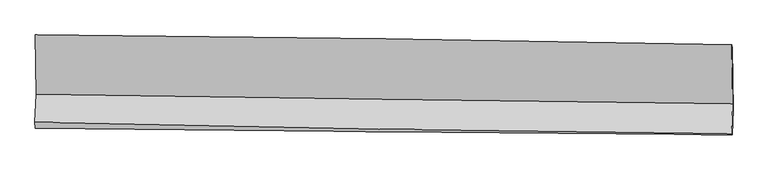
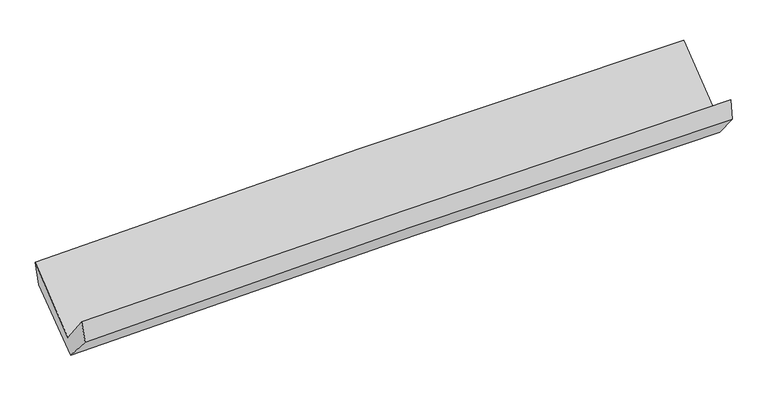
"""IFC4 building model written with IfcOpenShell, lengths in millimetres: proxy geometry."""

from ifc_helpers import new_model, si_unit, frame, origin, place, context, project, spatial, source, transform, mapped, element, save
from ifc_brep_helpers import plane_surface, spline_curve, spline_surface, advanced_brep


def generic_models_335d562d(model_context):
    return source(origin(), model_context, "Body", "AdvancedBrep", [
        advanced_brep(
        [(-3031.4770159, -1163.984649, 2156.8426626), (-3024.8130949, -1680.6180107, 1722.8243351), (3017.4623219, -1762.8375769, 1873.0984758), (3011.016737, -1249.8413847, 2297.3746154), (-3034.8307673, -1922.8994766, 2031.9483543), (3007.4288989, -2019.1915605, 2178.0951776), (-3030.8229116, -1974.1006054, 1858.3615312), (3012.1269911, -2031.7028223, 1990.6206989), (-3021.2106281, -1721.9834658, 1568.3646537), (3020.789687, -1813.4424238, 1726.2565201), (-3026.9661999, -1213.2887194, 1964.2760397), (3014.8257323, -1278.1473477, 2139.2592231)],
        [
            (0, 1),
            (1, 2, spline_curve(3, [(-3024.8130949, -1680.6180107, 1722.8243351), (-2017.910121903, -1695.093748435, 1753.594347752), (-1010.940927672, -1709.18318019, 1781.502098358), (1003.150875037, -1736.589718586, 1831.59359803), (2010.273486455, -1749.906808526, 1853.777227321), (3017.4623219, -1762.8375769, 1873.0984758)], [4, 2, 4], [0.0, 9.915916900257937, 19.83204030591123])),
            (2, 3),
            (3, 0, spline_curve(3, [(3011.016737, -1249.8413847, 2297.3746154), (2003.593141631, -1230.118291931, 2289.499318445), (996.334956713, -1213.101971281, 2273.850471), (-1017.82962099, -1184.483172318, 2227.006163176), (-2024.736020066, -1172.880580974, 2195.811026108), (-3031.4770159, -1163.984649, 2156.8426626)], [4, 2, 4], [0.0, 9.916123405653295, 19.83204030591123])),
            (1, 4),
            (4, 5, spline_curve(3, [(-3034.8307673, -1922.8994766, 2031.9483543), (-2028.151768512, -1946.865426515, 2068.257242923), (-1021.295875253, -1966.872699545, 2098.590524835), (992.790672963, -1998.970225877, 2147.30638123), (2000.021334833, -2011.060314235, 2165.688707284), (3007.4288989, -2019.1915605, 2178.0951776)], [4, 2, 4], [0.0, 9.915933367086705, 19.832073239911697])),
            (5, 2),
            (4, 6),
            (6, 7, spline_curve(3, [(-3030.8229116, -1974.1006054, 1858.3615312), (-2024.155498683, -1984.208471881, 1899.791795255), (-1017.247879776, -1994.062542368, 1931.528510912), (997.068744482, -2013.263292163, 1975.615303952), (2004.477759838, -2022.609960465, 1987.964977586), (3012.1269911, -2031.7028223, 1990.6206989)], [4, 2, 4], [0.0, 9.916060129735525, 19.832326767849253])),
            (7, 5),
            (6, 8),
            (8, 9, spline_curve(3, [(-3021.2106281, -1721.9834658, 1568.3646537), (-2014.274645958, -1730.260573672, 1599.935683201), (-1007.31187155, -1742.020591733, 1628.878743682), (1006.68823236, -1772.506765911, 1681.509475347), (2013.725563124, -1791.233067322, 1705.197036802), (3020.789687, -1813.4424238, 1726.2565201)], [4, 2, 4], [0.0, 9.915901273807103, 19.832009052684132])),
            (9, 7),
            (8, 10),
            (10, 11, spline_curve(3, [(-3026.9661999, -1213.2887194, 1964.2760397), (-2020.218324351, -1210.409748915, 2006.943566095), (-1013.36696912, -1214.375021793, 2042.859179866), (1000.563670807, -1235.994279323, 2101.187188887), (2007.642959645, -1253.648549358, 2123.599302988), (3014.8257323, -1278.1473477, 2139.2592231)], [4, 2, 4], [0.0, 9.91596936742335, 19.832145241334718])),
            (11, 9),
            (10, 0),
            (3, 11),
        ],
        [
            spline_surface(3, 3, [[(-3031.4770159, -1163.984649, 2156.8426626), (-2024.736019954, -1172.880580931, 2195.811026186), (-1017.829620838, -1184.483172224, 2227.006163085), (996.334956561, -1213.101971375, 2273.850471091), (2003.593141768, -1230.118292007, 2289.499318516), (3011.016737, -1249.8413847, 2297.3746154)], [(-3029.255708901, -1336.195769564, 2012.169886739), (-2022.460720614, -1346.951636732, 2048.40546666), (-1015.533389812, -1359.383174944, 2078.504808198), (998.606929396, -1387.597887092, 2126.431513359), (2005.81992335, -1403.381130859, 2144.258621484), (3013.165265296, -1420.840115429, 2155.949235555)], [(-3027.034401899, -1508.406890136, 1867.497110961), (-2020.185421272, -1521.02269254, 1900.999907217), (-1013.237158757, -1534.283177597, 1930.003453346), (1000.878902261, -1562.093802742, 1979.012555662), (2008.046704943, -1576.643969726, 1999.017924387), (3015.313793604, -1591.838846171, 2014.523855645)], [(-3024.8130949, -1680.6180107, 1722.8243351), (-2017.910121932, -1695.09374834, 1753.594347691), (-1010.940927731, -1709.183180317, 1781.502098458), (1003.150875096, -1736.58971846, 1831.59359793), (2010.273486525, -1749.906808578, 1853.777227355), (3017.4623219, -1762.8375769, 1873.0984758)]], [4, 4], [4, 2, 4], [0.0, 2.2534168227982185], [0.0, 9.915916900257937, 19.83204030591123]),
            spline_surface(3, 3, [[(-3024.8130949, -1680.6180107, 1722.8243351), (-2017.910121932, -1695.09374834, 1753.594347691), (-1010.940927731, -1709.183180317, 1781.502098458), (1003.150875096, -1736.58971846, 1831.59359793), (2010.273486525, -1749.906808578, 1853.777227355), (3017.4623219, -1762.8375769, 1873.0984758)], [(-3028.152319056, -1761.37849933, 1825.865674855), (-2021.324004148, -1779.017641094, 1858.481979467), (-1014.39257687, -1795.079686733, 1887.198240538), (999.697474367, -1824.049887558, 1936.831192402), (2006.856102665, -1836.9579771, 1957.747720691), (3014.117847584, -1848.288904784, 1974.764043056)], [(-3031.491543144, -1842.13898797, 1928.907014545), (-2024.737886296, -1862.941533857, 1963.369611178), (-1017.844226034, -1880.976193199, 1992.894382628), (996.244073613, -1911.510056708, 2042.068786885), (2003.438718755, -1924.009145568, 2061.718214058), (3010.773373216, -1933.740232616, 2076.429610344)], [(-3034.8307673, -1922.8994766, 2031.9483543), (-2028.151768513, -1946.86542661, 2068.257242955), (-1021.295875173, -1966.872699615, 2098.590524708), (992.790672884, -1998.970225807, 2147.306381357), (2000.021334895, -2011.06031409, 2165.688707394), (3007.4288989, -2019.1915605, 2178.0951776)]], [4, 4], [4, 2, 4], [0.0, 1.3440830529161496], [0.0, 9.915933367086705, 19.832073239911697]),
            spline_surface(3, 3, [[(-3034.8307673, -1922.8994766, 2031.9483543), (-2028.151768513, -1946.86542661, 2068.257242955), (-1021.295875173, -1966.872699615, 2098.590524708), (992.790672884, -1998.970225807, 2147.306381357), (2000.021334895, -2011.06031409, 2165.688707394), (3007.4288989, -2019.1915605, 2178.0951776)], [(-3033.49481538, -1939.96651955, 1974.086079914), (-2026.819678548, -1959.313108371, 2012.102093738), (-1019.946543372, -1975.935980584, 2042.903186788), (994.216696738, -2003.734581225, 2090.07602222), (2001.506809846, -2014.910196187, 2106.447464125), (3008.994929619, -2023.361981112, 2115.603684705)], [(-3032.15886352, -1957.03356245, 1916.223805586), (-2025.487588643, -1971.760790081, 1955.94694458), (-1018.597211557, -1984.999261527, 1987.215848852), (995.642720608, -2008.498936618, 2032.845663067), (2002.992284841, -2018.760078247, 2047.20622084), (3010.560960381, -2027.532401688, 2053.112191795)], [(-3030.8229116, -1974.1006054, 1858.3615312), (-2024.155498679, -1984.208471841, 1899.791795363), (-1017.247879756, -1994.062542496, 1931.528510932), (997.068744462, -2013.263292036, 1975.615303931), (2004.477759792, -2022.609960344, 1987.96497757), (3012.1269911, -2031.7028223, 1990.6206989)]], [4, 4], [4, 2, 4], [0.0, 0.5600150924690745], [0.0, 9.916060129735525, 19.832326767849253]),
            spline_surface(3, 3, [[(-3030.8229116, -1974.1006054, 1858.3615312), (-2024.155498679, -1984.208471841, 1899.791795363), (-1017.247879756, -1994.062542496, 1931.528510932), (997.068744462, -2013.263292036, 1975.615303931), (2004.477759792, -2022.609960344, 1987.96497757), (3012.1269911, -2031.7028223, 1990.6206989)], [(-3027.61881709, -1890.06155885, 1761.695905375), (-2020.861881063, -1899.559172405, 1799.839757951), (-1013.935877006, -1910.048558885, 1830.645255193), (1000.275240437, -1933.011116666, 1877.580027719), (2007.560360895, -1945.484329272, 1893.708997309), (3015.014556395, -1958.949356116, 1902.499305948)], [(-3024.41472261, -1806.02251235, 1665.030279525), (-2017.568263477, -1814.90987302, 1699.887720512), (-1010.623874291, -1826.034575301, 1729.761999464), (1003.481736377, -1852.758941324, 1779.544751516), (2010.642962012, -1868.358698252, 1799.453017102), (3017.902121705, -1886.195889984, 1814.377913052)], [(-3021.2106281, -1721.9834658, 1568.3646537), (-2014.274645861, -1730.260573583, 1599.9356831), (-1007.311871541, -1742.020591689, 1628.878743725), (1006.688232352, -1772.506765955, 1681.509475304), (2013.725563114, -1791.233067179, 1705.197036841), (3020.789687, -1813.4424238, 1726.2565201)]], [4, 4], [4, 2, 4], [0.0, 1.2699748914035376], [0.0, 9.915901273807103, 19.832009052684132]),
            spline_surface(3, 3, [[(-3021.2106281, -1721.9834658, 1568.3646537), (-2014.274645861, -1730.260573583, 1599.9356831), (-1007.311871541, -1742.020591689, 1628.878743725), (1006.688232352, -1772.506765955, 1681.509475304), (2013.725563114, -1791.233067179, 1705.197036841), (3020.789687, -1813.4424238, 1726.2565201)], [(-3023.129152041, -1552.418550333, 1700.3351157), (-2016.255871979, -1556.976965347, 1735.604977474), (-1009.330237367, -1566.138735049, 1766.872222463), (1004.64671181, -1593.669270461, 1821.402046526), (2011.69802863, -1612.038227905, 1844.664458928), (3018.801702106, -1635.010731778, 1863.924087786)], [(-3025.047675959, -1382.853634867, 1832.3055777), (-2018.237098074, -1383.693357111, 1871.274271847), (-1011.348603204, -1390.256878345, 1904.865701122), (1002.605191258, -1414.831774904, 1961.29461767), (2009.670494126, -1432.843388596, 1984.131880958), (3016.813717194, -1456.579039722, 2001.591655414)], [(-3026.9661999, -1213.2887194, 1964.2760397), (-2020.218324193, -1210.409748875, 2006.94356622), (-1013.36696903, -1214.375021705, 2042.85917986), (1000.563670717, -1235.99427941, 2101.187188893), (2007.642959641, -1253.648549321, 2123.599303045), (3014.8257323, -1278.1473477, 2139.2592231)]], [4, 4], [4, 2, 4], [0.0, 2.217643444115396], [0.0, 9.91596936742335, 19.832145241334718]),
            spline_surface(3, 3, [[(-3026.9661999, -1213.2887194, 1964.2760397), (-2020.218324193, -1210.409748875, 2006.94356622), (-1013.36696903, -1214.375021705, 2042.85917986), (1000.563670717, -1235.99427941, 2101.187188893), (2007.642959641, -1253.648549321, 2123.599303045), (3014.8257323, -1278.1473477, 2139.2592231)], [(-3028.469805232, -1196.854029272, 2028.464914016), (-2021.724222779, -1197.900026233, 2069.899386225), (-1014.854519641, -1204.411071853, 2104.241507588), (999.154099322, -1228.363510039, 2158.741616279), (2006.293020349, -1245.805130197, 2178.899308186), (3013.556067199, -1268.712026681, 2191.96435385)], [(-3029.973410568, -1180.419339128, 2092.653788284), (-2023.230121368, -1185.390303574, 2132.855206181), (-1016.342070226, -1194.447122077, 2165.623835357), (997.744527955, -1220.732740746, 2216.296043705), (2004.94308106, -1237.961711131, 2234.199313376), (3012.286402101, -1259.276705719, 2244.66948465)], [(-3031.4770159, -1163.984649, 2156.8426626), (-2024.736019954, -1172.880580931, 2195.811026186), (-1017.829620838, -1184.483172224, 2227.006163085), (996.334956561, -1213.101971375, 2273.850471091), (2003.593141768, -1230.118292007, 2289.499318516), (3011.016737, -1249.8413847, 2297.3746154)]], [4, 4], [4, 2, 4], [0.0, 0.5918599853752113], [0.0, 9.916064704979402, 19.83233591843229]),
            plane_surface(frame((3013.941728, -1692.527186, 2034.1174518), z_axis=(0.9996342804367107, -0.008634949382633431, 0.025626997969709513), x_axis=(-0.008820761978893855, 0.7917079701285049, 0.6108360534489711))),
            plane_surface(frame((-3028.3534363, -1612.8124878, 1883.7695961), z_axis=(-0.9996342804366908, 0.008634949384174693, -0.025626997969960146), x_axis=(0.022686862543251644, -0.24797169034952582, -0.9685015988903387))),
        ],
        [
            (0, [[1, 2, 3, 4]]),
            (1, [[5, 6, 7, -2]]),
            (2, [[8, 9, 10, -6]]),
            (3, [[11, 12, 13, -9]]),
            (4, [[14, 15, 16, -12]]),
            (5, [[17, -4, 18, -15]]),
            (6, [[-16, -18, -3, -7, -10, -13]]),
            (7, [[-17, -14, -11, -8, -5, -1]]),
        ],
    ),
    ])


if __name__ == "__main__":
    model = new_model("IFC4")
    model_context = context("Model", 3, world=origin())
    ifc_project = project(units=[si_unit("LENGTHUNIT", "METRE", prefix="MILLI")], contexts=[model_context])
    site = spatial("IfcSite", under=ifc_project)
    building = spatial("IfcBuilding", under=site)
    placement = place(None, origin())
    generic_models_shape = generic_models_335d562d(model_context)
    element("IfcBuildingElementProxy", 1, Name="Generic Models", at=placement, inside=building, context=model_context, shape_type="MappedRepresentation", body=[
        mapped(generic_models_shape, transform((0.0, 0.0, 0.0), x_axis=(1.0, 0.0, 0.0), y_axis=(0.0, 1.0, 0.0), z_axis=(0.0, 0.0, 1.0))),
    ])
    save(model, "model.ifc")
